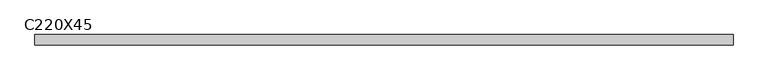
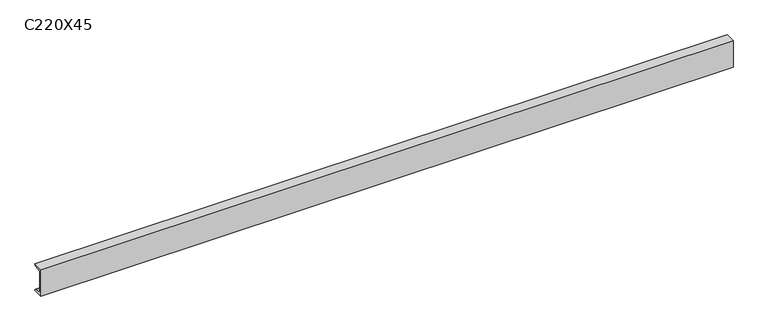
"""IFC4 building model written with IfcOpenShell, lengths in millimetres: beam geometry, C220X45."""

from ifc_helpers import new_model, si_unit, point, frame, frame_2d, origin, place, context, project, spatial, polyline, circle_curve, trimmed, segment, composite_curve, outline, extrude, source, transform, mapped, element, save


def c220x45_feeff916(model_context):
    return source(origin(), model_context, "Body", "SweptSolid", [
        extrude(outline(composite_curve([segment(polyline([(-17.0, 110.0), (64.0, 110.0)]), True, "CONTINUOUS"), segment(trimmed(circle_curve(frame_2d((51.0, 110.0)), 13.0), [point((64.0, 110.0))], [point((51.0, 97.0))], False, "CARTESIAN"), True, "CONTINUOUS"), segment(polyline([(51.0, 97.0), (-4.0, 88.2888558), (-4.0, -88.2888558), (51.0, -97.0)]), True, "CONTINUOUS"), segment(trimmed(circle_curve(frame_2d((51.0, -110.0)), 13.0), [point((51.0, -97.0))], [point((64.0, -110.0))], False, "CARTESIAN"), True, "CONTINUOUS"), segment(polyline([(64.0, -110.0), (-17.0, -110.0), (-17.0, 110.0)]), True, "CONTINUOUS")], self_intersect=False)), frame((-2832.0, 0.0, 0.0), z_axis=(1.0, 0.0, 0.0), x_axis=(0.0, 1.0, 0.0)), (0.0, 0.0, 1.0), 5444.0),
    ])


if __name__ == "__main__":
    model = new_model("IFC4")
    model_context = context("Model", 3, world=origin())
    ifc_project = project(units=[si_unit("LENGTHUNIT", "METRE", prefix="MILLI")], contexts=[model_context])
    site = spatial("IfcSite", under=ifc_project)
    building = spatial("IfcBuilding", under=site)
    placement = place(None, origin())
    c220x45_shape = c220x45_feeff916(model_context)
    element("IfcBeam", 1, ObjectType="C220X45", at=placement, inside=building, context=model_context, shape_type="MappedRepresentation", body=[
        mapped(c220x45_shape, transform((0.0, 0.0, 0.0), x_axis=(1.0, 0.0, 0.0), y_axis=(0.0, 1.0, 0.0), z_axis=(0.0, 0.0, 1.0))),
    ])
    save(model, "model.ifc")
